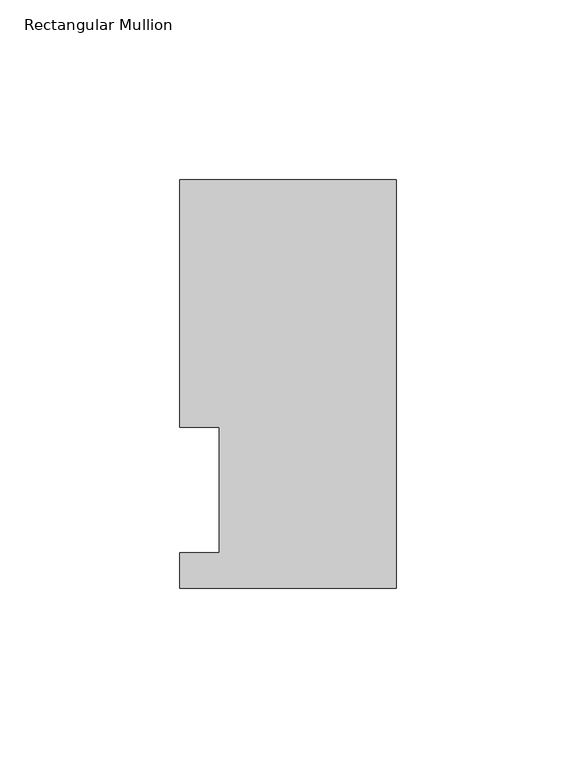
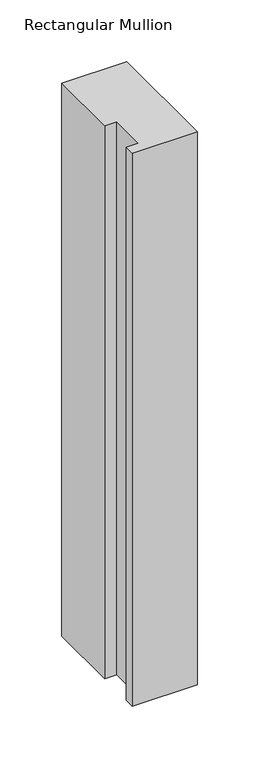
"""IFC4 building model written with IfcOpenShell, lengths in millimetres: member geometry, Rectangular Mullion."""

from ifc_helpers import new_model, si_unit, frame, origin, place, context, project, spatial, polyline, outline, extrude, source, transform, mapped, element, save


def rectangular_mullion_cba7e993(model_context):
    return source(origin(), model_context, "Body", "SweptSolid", [
        extrude(outline(polyline([(-60.325, 113.8189875), (0.0, 113.8189875), (0.0, 0.0269875), (-60.3249999, 0.0269875), (-60.3249999, 9.9329875), (-49.2125, 9.9329875), (-49.2125, 44.8579875), (-60.325, 44.8579875), (-60.325, 113.8189875)])), frame((0.0, 0.0, -545.0416667), z_axis=(0.0, 0.0, 1.0), x_axis=(1.0, 0.0, 0.0)), (0.0, 0.0, 1.0), 545.0416667),
    ])


if __name__ == "__main__":
    model = new_model("IFC4")
    model_context = context("Model", 3, world=origin())
    ifc_project = project(units=[si_unit("LENGTHUNIT", "METRE", prefix="MILLI")], contexts=[model_context])
    site = spatial("IfcSite", under=ifc_project)
    building = spatial("IfcBuilding", under=site)
    placement = place(None, origin())
    rectangular_mullion_shape = rectangular_mullion_cba7e993(model_context)
    element("IfcMember", 1, ObjectType="Rectangular Mullion", at=placement, inside=building, context=model_context, shape_type="MappedRepresentation", body=[
        mapped(rectangular_mullion_shape, transform((0.0, 0.0, 0.0), x_axis=(1.0, 0.0, 0.0), y_axis=(0.0, 1.0, 0.0), z_axis=(0.0, 0.0, 1.0))),
    ])
    save(model, "model.ifc")
